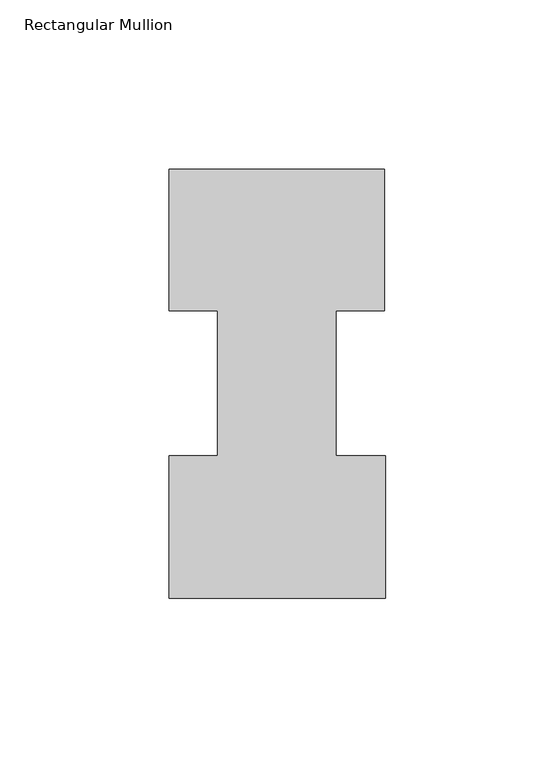
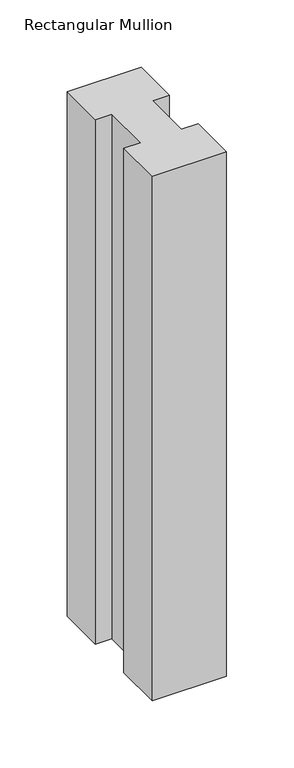
"""IFC4 building model written with IfcOpenShell, lengths in millimetres: member geometry, Rectangular Mullion."""

import ifcopenshell
import ifcopenshell.guid

model = None  # the IFC model being written
_history = None  # IfcOwnerHistory: only IFC2X3 demands one
_inside = {}  # id of a spatial element -> (the spatial element, [elements in it])
_under = {}  # id of a project, library or spatial element -> (it, [spatial elements below it])
_declared = {}  # id of a project -> (the project, [libraries it declares])
_typed = {}  # id of a type object -> (the type object, [elements of that type])
_made_of = {}  # id of a material, layer set ... -> (it, [elements and type objects made of it])


def new_model(schema):
    """Start an empty IFC model of exactly this schema.

    Asked for "IFC4X3", IfcOpenShell would pick the latest addendum, in which some entities
    have other attributes; the version numbers below select the first issue.
    IFC2X3 requires an IfcOwnerHistory on every rooted entity: one is made here for all.
    """
    global model, _history
    if schema == "IFC4X3":
        model = ifcopenshell.file(schema_version=(4, 3, 0, 0))
    else:
        model = ifcopenshell.file(schema=schema)
    _inside.clear()
    _under.clear()
    _declared.clear()
    _typed.clear()
    _made_of.clear()
    _history = None
    if model.schema == "IFC2X3":
        org = make("IfcOrganization", Name="unknown")
        user = make(
            "IfcPersonAndOrganization",
            ThePerson=make("IfcPerson", FamilyName="unknown"),
            TheOrganization=org,
        )
        app = make(
            "IfcApplication",
            ApplicationDeveloper=org,
            Version="unknown",
            ApplicationFullName="unknown",
            ApplicationIdentifier="unknown",
        )
        _history = make(
            "IfcOwnerHistory",
            OwningUser=user,
            OwningApplication=app,
            ChangeAction="ADDED",
            CreationDate=0,
        )
    return model


def make(cls, **values):
    """One entity of the class cls with the attributes given. An attribute that is None is left unset."""
    return model.create_entity(
        cls, **{name: value for name, value in values.items() if value is not None}
    )


def rooted(cls, **values):
    """An entity with a GlobalId (a new one), such as an element, a storey or a relation."""
    return make(cls, GlobalId=ifcopenshell.guid.new(), OwnerHistory=_history, **values)


def si_unit(unit_type, name, prefix=None):
    """IfcSIUnit, for example si_unit("LENGTHUNIT", "METRE", prefix="MILLI")."""
    return make("IfcSIUnit", UnitType=unit_type, Prefix=prefix, Name=name)


def assignment(units):
    """IfcUnitAssignment: the units of a project."""
    return None if units is None else make("IfcUnitAssignment", Units=units)


def point(xyz):
    """IfcCartesianPoint."""
    return None if xyz is None else make("IfcCartesianPoint", Coordinates=xyz)


def direction(xyz):
    """IfcDirection."""
    return None if xyz is None else make("IfcDirection", DirectionRatios=xyz)


def frame(location, z_axis=None, x_axis=None):
    """IfcAxis2Placement3D, a coordinate frame: its origin and axes. An axis left out is left unset."""
    return make(
        "IfcAxis2Placement3D",
        Location=point(location),
        Axis=direction(z_axis),
        RefDirection=direction(x_axis),
    )


def origin():
    """The frame at (0, 0, 0) with its axes left unset."""
    return frame((0.0, 0.0, 0.0))


def place(relative_to, where):
    """IfcLocalPlacement: puts the frame where relative to a parent placement (None: the world)."""
    return make(
        "IfcLocalPlacement", PlacementRelTo=relative_to, RelativePlacement=where
    )


def context(
    kind, dimensions, precision=None, world=None, true_north=None, identifier=None
):
    """IfcGeometricRepresentationContext, for example the 3D "Model" context."""
    return make(
        "IfcGeometricRepresentationContext",
        ContextIdentifier=identifier,
        ContextType=kind,
        CoordinateSpaceDimension=dimensions,
        Precision=precision,
        WorldCoordinateSystem=world,
        TrueNorth=true_north,
    )


def project(units=None, contexts=None):
    """IfcProject with its units and contexts."""
    return rooted(
        "IfcProject",
        Name="project",
        RepresentationContexts=contexts,
        UnitsInContext=assignment(units),
    )


def spatial(cls, under=None, at=None, **own):
    """A site, building, storey or space (cls), placed at a placement, below another one or the project."""
    s = rooted(cls, ObjectPlacement=at, **own)
    if under is not None:
        _under.setdefault(under.id(), (under, []))[1].append(s)
    return s


def polyline(points):
    """IfcPolyline through the points."""
    return make("IfcPolyline", Points=[point(p) for p in points])


def outline(outer, holes=None, kind="AREA"):
    """IfcArbitraryClosedProfileDef: a profile drawn as a closed curve; with holes, ...WithVoids."""
    if holes is None:
        return make("IfcArbitraryClosedProfileDef", ProfileType=kind, OuterCurve=outer)
    return make(
        "IfcArbitraryProfileDefWithVoids",
        ProfileType=kind,
        OuterCurve=outer,
        InnerCurves=holes,
    )


def extrude(swept, where, along, depth):
    """IfcExtrudedAreaSolid: the profile swept, set in the frame where, extruded along a direction by depth."""
    return make(
        "IfcExtrudedAreaSolid",
        SweptArea=swept,
        Position=where,
        ExtrudedDirection=direction(along),
        Depth=depth,
    )


def shape(context_of_items, identifier, shape_type, items):
    """IfcShapeRepresentation: the items that make up one representation, for example the "Body"."""
    return make(
        "IfcShapeRepresentation",
        ContextOfItems=context_of_items,
        RepresentationIdentifier=identifier,
        RepresentationType=shape_type,
        Items=items,
    )


def source(mapping_origin, context_of_items, identifier, shape_type, items):
    """IfcRepresentationMap: a shape defined once, which mapped items show again and again."""
    return make(
        "IfcRepresentationMap",
        MappingOrigin=mapping_origin,
        MappedRepresentation=shape(context_of_items, identifier, shape_type, items),
    )


def transform(
    local_origin,
    x_axis=None,
    y_axis=None,
    z_axis=None,
    scale=None,
    scale2=None,
    scale3=None,
    uniform=True,
):
    """IfcCartesianTransformationOperator3D, or its non-uniform kind. x_axis, y_axis, z_axis: its Axis1, 2, 3."""
    if uniform:
        return make(
            "IfcCartesianTransformationOperator3D",
            Axis1=direction(x_axis),
            Axis2=direction(y_axis),
            LocalOrigin=point(local_origin),
            Scale=scale,
            Axis3=direction(z_axis),
        )
    return make(
        "IfcCartesianTransformationOperator3DnonUniform",
        Axis1=direction(x_axis),
        Axis2=direction(y_axis),
        LocalOrigin=point(local_origin),
        Scale=scale,
        Axis3=direction(z_axis),
        Scale2=scale2,
        Scale3=scale3,
    )


def mapped(mapping_source, mapping_target):
    """IfcMappedItem: shows the shape of a source again, moved by a transform."""
    return make(
        "IfcMappedItem", MappingSource=mapping_source, MappingTarget=mapping_target
    )


def made_of(thing, what):
    """Note that an element or type object is made of a material, layer set ...; save() writes the relation."""
    if what is not None:
        _made_of.setdefault(what.id(), (what, []))[1].append(thing)
    return thing


def element(
    cls,
    number,
    at=None,
    inside=None,
    cuts=None,
    type_object=None,
    material=None,
    context=None,
    identifier="Body",
    shape_type=None,
    held_by="IfcProductDefinitionShape",
    body=None,
    shapes=None,
    **own,
):
    """One element of the class cls, such as IfcWall. Its Tag is "e" and its number.

    at: its placement. inside: the storey or other place that contains it. cuts: it is an
    opening in that element (IfcRelVoidsElement). A single representation is given by context,
    identifier, shape_type and body (its items); several are given by shapes. held_by: the class
    of the entity that holds the representations. save() writes the other relations.
    """
    e = rooted(cls, Tag="e%d" % number, ObjectPlacement=at, **own)
    if body is not None:
        shapes = [shape(context, identifier, shape_type, body)]
    if shapes is not None:
        e.Representation = make(held_by, Representations=shapes)
    if inside is not None:
        _inside.setdefault(inside.id(), (inside, []))[1].append(e)
    if cuts is not None:
        rooted(
            "IfcRelVoidsElement", RelatingBuildingElement=cuts, RelatedOpeningElement=e
        )
    if type_object is not None:
        _typed.setdefault(type_object.id(), (type_object, []))[1].append(e)
    return made_of(e, material)


def aggregate(whole, parts):
    """IfcRelAggregates: a whole, such as a stair, and the parts it consists of."""
    return rooted("IfcRelAggregates", RelatingObject=whole, RelatedObjects=parts)


def save(model, path):
    """Write the relations noted so far, then the file.

    IfcRelAggregates (storeys below a building ...), IfcRelContainedInSpatialStructure (elements
    in a storey), IfcRelDefinesByType, IfcRelAssociatesMaterial and IfcRelDeclares: one each for
    every whole, place, type object, material and project.
    """
    for whole, parts in _under.values():
        aggregate(whole, parts)
    for where, things in _inside.values():
        rooted(
            "IfcRelContainedInSpatialStructure",
            RelatedElements=things,
            RelatingStructure=where,
        )
    for kind, things in _typed.values():
        rooted("IfcRelDefinesByType", RelatedObjects=things, RelatingType=kind)
    for what, things in _made_of.values():
        rooted("IfcRelAssociatesMaterial", RelatedObjects=things, RelatingMaterial=what)
    for by, libraries in _declared.values():
        rooted("IfcRelDeclares", RelatingContext=by, RelatedDefinitions=libraries)
    model.write(path)


def rectangular_mullion_6cee21ca(model_context):
    return source(origin(), model_context, "Body", "SweptSolid", [
        extrude(outline(polyline([(-63.5, 0.2428875), (-63.5, 42.2798875), (-49.21504, 42.2798875), (-49.21504, 85.1296875), (-63.5, 85.1296875), (-63.5, 126.7348875), (0.0, 126.7348875), (0.0, 85.1296875), (-14.2748, 85.1296875), (-14.2748, 42.2798875), (0.2408142, 42.2798875), (0.2408142, 0.2428875), (-63.5, 0.2428875)])), frame((0.0, 0.0, -476.2510851), z_axis=(0.0, 0.0, 1.0), x_axis=(1.0, 0.0, 0.0)), (0.0, 0.0, 1.0), 476.2510851),
    ])


if __name__ == "__main__":
    model = new_model("IFC4")
    model_context = context("Model", 3, world=origin())
    ifc_project = project(units=[si_unit("LENGTHUNIT", "METRE", prefix="MILLI")], contexts=[model_context])
    site = spatial("IfcSite", under=ifc_project)
    building = spatial("IfcBuilding", under=site)
    placement = place(None, origin())
    rectangular_mullion_shape = rectangular_mullion_6cee21ca(model_context)
    element("IfcMember", 1, ObjectType="Rectangular Mullion", at=placement, inside=building, context=model_context, shape_type="MappedRepresentation", body=[
        mapped(rectangular_mullion_shape, transform((0.0, 0.0, 0.0), x_axis=(1.0, 0.0, 0.0), y_axis=(0.0, 1.0, 0.0), z_axis=(0.0, 0.0, 1.0))),
    ])
    save(model, "model.ifc")
